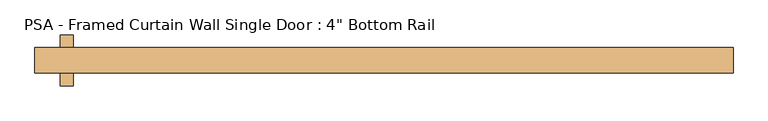
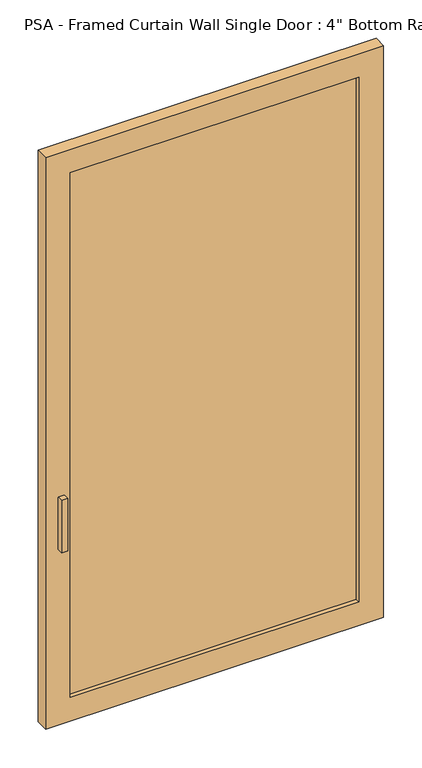
"""IFC4 building model written with IfcOpenShell, lengths in millimetres: door geometry."""

from ifc_helpers import new_model, si_unit, frame, origin, place, context, project, spatial, polyline, outline, extrude, source, transform, mapped, element, save


def door_1a5c987b(model_context):
    return source(origin(), model_context, "Body", "SweptSolid", [
        extrude(outline(polyline([(592.9359051, 6.35), (592.9359051, -6.35), (-592.9359051, -6.35), (-592.9359051, 6.35), (592.9359051, 6.35)])), frame((0.0, 0.0, 101.6), z_axis=(0.0, 0.0, 1.0), x_axis=(1.0, 0.0, 0.0)), (0.0, 0.0, 1.0), 2280.1333333),
        extrude(outline(polyline([(2483.3333333, -694.4451954), (0.0, -694.4451954), (0.0, 694.5359051), (2483.3333333, 694.5359051), (2483.3333333, -694.4451954)]), holes=[polyline([(2381.7333333, 592.9359051), (101.6, 592.9359051), (101.6, -592.9359051), (2381.7333333, -592.9359051), (2381.7333333, 592.9359051)])]), frame((0.0, -25.4, 0.0), z_axis=(0.0, 1.0, 0.0), x_axis=(0.0, 0.0, 1.0)), (0.0, 0.0, 1.0), 50.8),
        extrude(outline(polyline([(-618.3359051, 50.8), (-618.3359051, 0.0), (-643.7359051, 0.0), (-643.7359051, 50.8), (-618.3359051, 50.8)])), frame((0.0, 0.0, 762.0), z_axis=(0.0, 0.0, 1.0), x_axis=(1.0, 0.0, 0.0)), (0.0, 0.0, 1.0), 228.6),
        extrude(outline(polyline([(-643.7359051, -50.8), (-643.7359051, 0.0), (-618.3359051, 0.0), (-618.3359051, -50.8), (-643.7359051, -50.8)])), frame((0.0, 0.0, 762.0), z_axis=(0.0, 0.0, 1.0), x_axis=(1.0, 0.0, 0.0)), (0.0, 0.0, 1.0), 228.6),
    ])


if __name__ == "__main__":
    model = new_model("IFC4")
    model_context = context("Model", 3, world=origin())
    ifc_project = project(units=[si_unit("LENGTHUNIT", "METRE", prefix="MILLI")], contexts=[model_context])
    site = spatial("IfcSite", under=ifc_project)
    building = spatial("IfcBuilding", under=site)
    placement = place(None, origin())
    door_shape = door_1a5c987b(model_context)
    element("IfcDoor", 1, ObjectType="PSA - Framed Curtain Wall Single Door : 4\" Bottom Rail", at=placement, inside=building, context=model_context, shape_type="MappedRepresentation", body=[
        mapped(door_shape, transform((0.0, 0.0, 0.0), x_axis=(1.0, 0.0, 0.0), y_axis=(0.0, 1.0, 0.0), z_axis=(0.0, 0.0, 1.0))),
    ])
    save(model, "model.ifc")
